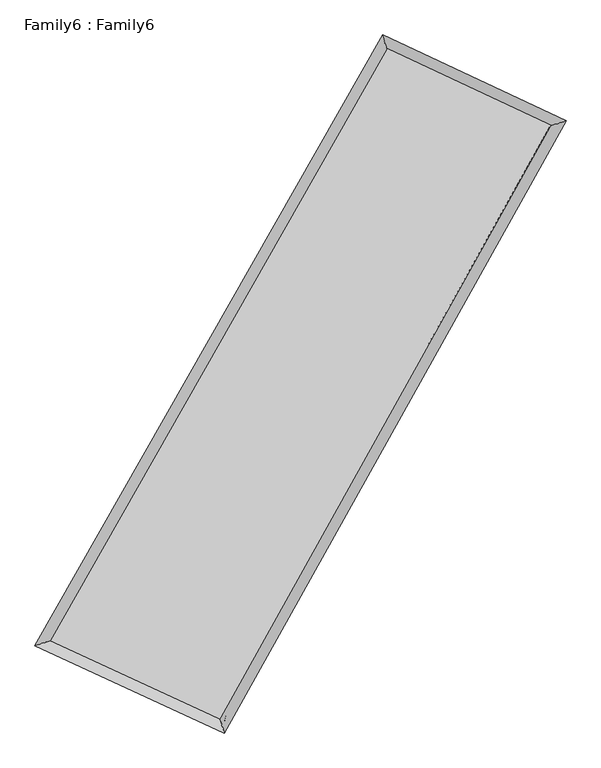
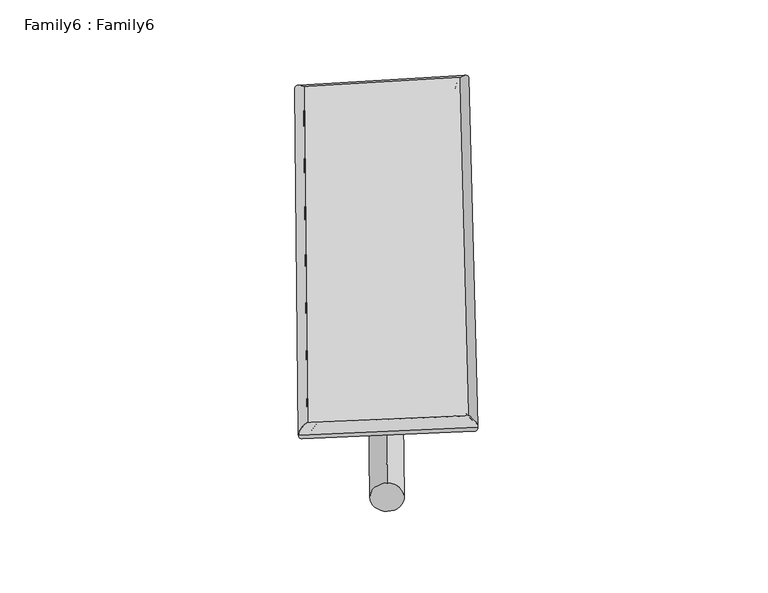
"""IFC4 building model written with IfcOpenShell, lengths in millimetres: plate geometry, Family6 : Family6."""

from ifc_helpers import new_model, si_unit, point, frame, origin, origin_2d, place, context, project, spatial, circle_curve, ellipse_curve, trimmed, segment, composite_curve, outline, extrude, source, transform, mapped, element, save
from ifc_brep_helpers import plane_surface, cylinder_surface, spline_surface, advanced_brep


def family6_family6_e617cfad(model_context):
    return source(origin(), model_context, "Body", "SolidModel", [
        extrude(outline(composite_curve([segment(trimmed(circle_curve(origin_2d(), 76.2), [point((-75.4341514, -10.7763074))], [point((75.4341514, 10.7763074))], False, "CARTESIAN"), True, "CONTINUOUS"), segment(trimmed(circle_curve(origin_2d(), 76.2), [point((75.4341514, 10.7763074))], [point((-75.4341514, -10.7763074))], False, "CARTESIAN"), True, "CONTINUOUS")], self_intersect=False)), frame((9144.0, 9144.0, 0.0), z_axis=(0.6701252818859862, 0.6918288924702296, 0.26889568631839944), x_axis=(-0.6832214624592238, 0.7165097606068844, -0.14079132143049436)), (0.0, 0.0, 1.0), 5731.3122198),
        extrude(outline(composite_curve([segment(trimmed(circle_curve(origin_2d(), 76.2), [point((-53.8815367, 53.8815368))], [point((53.8815367, -53.8815368))], False, "CARTESIAN"), True, "CONTINUOUS"), segment(trimmed(circle_curve(origin_2d(), 76.2), [point((53.8815367, -53.8815368))], [point((-53.8815367, 53.8815368))], False, "CARTESIAN"), True, "CONTINUOUS")], self_intersect=False)), frame((9144.0, 9144.0, 0.0), z_axis=(-0.6754273312781208, -0.6870875185057805, 0.2677847308493976), x_axis=(0.637956727116173, -0.3622927064339106, 0.6795257237161909)), (0.0, 0.0, 1.0), 5754.2520589),
        extrude(outline(composite_curve([segment(trimmed(circle_curve(origin_2d(), 76.2), [point((-53.8815367, -53.8815367))], [point((53.8815367, 53.8815367))], False, "CARTESIAN"), True, "CONTINUOUS"), segment(trimmed(circle_curve(origin_2d(), 76.2), [point((53.8815367, 53.8815367))], [point((-53.8815367, -53.8815367))], False, "CARTESIAN"), True, "CONTINUOUS")], self_intersect=False)), frame((9144.0, 9144.0, 0.0), z_axis=(0.23507546790039416, 0.9330498830305696, 0.27231863720291216), x_axis=(-0.8467484172351846, 0.33414959381253934, -0.41395792885826566)), (0.0, 0.0, 1.0), 5526.198997),
        extrude(outline(composite_curve([segment(trimmed(circle_curve(origin_2d(), 76.2), [point((-75.4341514, 10.7763073))], [point((75.4341514, -10.7763073))], False, "CARTESIAN"), True, "CONTINUOUS"), segment(trimmed(circle_curve(origin_2d(), 76.2), [point((75.4341514, -10.7763073))], [point((-75.4341514, 10.7763073))], False, "CARTESIAN"), True, "CONTINUOUS")], self_intersect=False)), frame((9144.0, 9144.0, 0.0), z_axis=(-0.22723720199163416, -0.9349808903613541, 0.2723490199910825), x_axis=(0.8918720739747633, -0.08750304529061315, 0.4437425162510614)), (0.0, 0.0, 1.0), 5527.608072),
        advanced_brep(
        [(5042.9513844, 5121.5609684, 1538.4481162), (5042.9131096, 5121.5104651, 1544.0424027), (5471.8903923, 5259.0894956, 1543.3535614), (10505.8532469, 14102.5021066, 1508.3931753), (10380.294383, 14497.9365489, 1501.3807843), (5471.9286671, 5259.1399989, 1537.7592749), (12771.907501, 13040.5156601, 1540.7022975), (13197.4869328, 13177.6591108, 1541.5479683), (7823.6330885, 4173.3304656, 1506.055577), (7952.2105275, 3778.2537008, 1504.8217057)],
        [
            (0, 1, ellipse_curve(frame((5257.4208884, 5190.325232, 1540.9008388), z_axis=(-0.3053764805405126, 0.95220946502762, 0.006506907445466123), x_axis=(-0.9521545640316401, -0.3054315886989844, 0.010640997064747372)), 225.2988801, 152.4)),
            (1, 2, ellipse_curve(frame((5257.4208884, 5190.325232, 1540.9008388), z_axis=(-0.3053764805405126, 0.95220946502762, 0.006506907445466123), x_axis=(-0.9521545640316401, -0.3054315886989844, 0.010640997064747372)), 225.2988801, 152.4)),
            (2, 3),
            (3, 4, ellipse_curve(frame((10443.0738149, 14300.2193278, 1504.8869798), z_axis=(-0.9530546899197834, -0.3027295357825667, -0.006448735285095006), x_axis=(0.30263984849982384, -0.9530288922256704, 0.012043781927404972)), 207.4765441, 152.4)),
            (4, 0),
            (2, 5, ellipse_curve(frame((5257.4208884, 5190.325232, 1540.9008388), z_axis=(-0.3053764805405126, 0.95220946502762, 0.006506907445466123), x_axis=(-0.9521545640316401, -0.3054315886989844, 0.010640997064747372)), 225.2988801, 152.4)),
            (5, 0, ellipse_curve(frame((5257.4208884, 5190.325232, 1540.9008388), z_axis=(-0.3053764805405126, 0.95220946502762, 0.006506907445466123), x_axis=(-0.9521545640316401, -0.3054315886989844, 0.010640997064747372)), 225.2988801, 152.4)),
            (4, 3, ellipse_curve(frame((10443.0738149, 14300.2193278, 1504.8869798), z_axis=(-0.9530546899197834, -0.3027295357825667, -0.006448735285095006), x_axis=(0.30263984849982384, -0.9530288922256704, 0.012043781927404972)), 207.4765441, 152.4)),
            (3, 6),
            (6, 7, ellipse_curve(frame((12984.6972169, 13109.0873855, 1541.1251329), z_axis=(-0.30669870559842555, 0.9517811573959716, -0.006966520669249643), x_axis=(-0.9517212183214616, -0.3067610267821919, -0.011153252630883)), 223.5769757, 152.4)),
            (7, 4),
            (7, 6, ellipse_curve(frame((12984.6972169, 13109.0873855, 1541.1251329), z_axis=(-0.30669870559842555, 0.9517811573959716, -0.006966520669249643), x_axis=(-0.9517212183214616, -0.3067610267821919, -0.011153252630883)), 223.5769757, 152.4)),
            (6, 8),
            (8, 9, ellipse_curve(frame((7887.921808, 3975.7920832, 1505.4386413), z_axis=(0.9508856766157894, 0.30948382420677706, -0.006016025372411786), x_axis=(-0.3094030324906755, 0.9508612796980971, 0.011514784256395892)), 207.7439215, 152.4)),
            (9, 7),
            (9, 8, ellipse_curve(frame((7887.921808, 3975.7920832, 1505.4386413), z_axis=(0.9508856766157894, 0.30948382420677706, -0.006016025372411786), x_axis=(-0.3094030324906755, 0.9508612796980971, 0.011514784256395892)), 207.7439215, 152.4)),
            (8, 5),
            (1, 9),
        ],
        [
            cylinder_surface(frame((5257.4208884, 5190.325232, 1540.9008388), z_axis=(-0.4946969720276759, -0.8690587450587942, 0.003435622721271711), x_axis=(-0.8689266446343537, 0.4945433717349488, -0.019832793991571524)), 152.4),
            cylinder_surface(frame((10443.0738149, 14300.2193278, 1504.8869798), z_axis=(-0.9054182593244258, 0.42432431532213566, -0.012909341901415725), x_axis=(0.42446316017666813, 0.9053773976703343, -0.011081220173316668)), 152.4),
            cylinder_surface(frame((12984.6972169, 13109.0873855, 1541.1251329), z_axis=(0.4872993310315426, 0.8732283323920922, 0.003411961889741385), x_axis=(0.8732345470556949, -0.48729933103154255, -0.0008875835997274979)), 152.4),
            cylinder_surface(frame((7887.921808, 3975.7920832, 1505.4386413), z_axis=(0.9078315212755148, -0.4191564685929412, -0.012238619827407465), x_axis=(-0.419095733311772, -0.9079127939767251, 0.007288679801249302)), 152.4),
        ],
        [
            (0, [[1, 2, 3, 4, 5]]),
            (0, [[6, 7, -5, 8, -3]]),
            (1, [[-4, 9, 10, 11]]),
            (1, [[-8, -11, 12, -9]]),
            (2, [[-10, 13, 14, 15]]),
            (2, [[-12, -15, 16, -13]]),
            (3, [[-14, 17, -6, -2, 18]]),
            (3, [[-16, -18, -1, -7, -17]]),
        ],
    ),
        extrude(outline(composite_curve([segment(trimmed(circle_curve(origin_2d(), 304.8), [point((0.0, -304.8))], [point((-1e-07, 304.8))], False, "CARTESIAN"), True, "CONTINUOUS"), segment(trimmed(circle_curve(origin_2d(), 304.8), [point((-1e-07, 304.8))], [point((0.0, -304.8))], False, "CARTESIAN"), True, "CONTINUOUS")], self_intersect=False)), frame((6546.6327152, 4571.0879088, -0.015491), z_axis=(0.4938831642108828, 0.8695282744686166, 2.945577729422922e-06), x_axis=(-0.8695282744732575, 0.4938831642108828, 7.781488353525947e-07)), (0.0, 0.0, 1.0), 10518.1446665),
        advanced_brep(
        [(5257.4208884, 5190.325232, 1540.9008388), (7887.921808, 3975.7920832, 1505.4386413), (7887.9310433, 3975.7900793, 1657.838641), (5257.4301237, 5190.3232281, 1693.3008385), (12984.6972169, 13109.0873855, 1541.1251329), (12984.7064522, 13109.0853815, 1693.5251326), (10443.0738149, 14300.2193278, 1504.8869798), (10443.0830503, 14300.2173238, 1657.2869795)],
        [
            (0, 1),
            (1, 2),
            (2, 3),
            (3, 0),
            (1, 4),
            (4, 5),
            (5, 2),
            (4, 6),
            (6, 7),
            (7, 5),
            (6, 0),
            (3, 7),
        ],
        [
            plane_surface(frame((6572.6713482, 4583.0586576, 1523.1697401), z_axis=(-0.41918771389104953, -0.9078995871468991, 1.3464244235604321e-05), x_axis=(0.9078315212755147, -0.4191564685929408, -0.012238619827407477))),
            plane_surface(frame((10436.3095125, 8542.4397343, 1523.2818871), z_axis=(0.8732335123740894, -0.48730198988652706, -5.932488808236538e-05), x_axis=(0.48729933103154205, 0.8732283323920925, 0.00341196188974138))),
            plane_surface(frame((11713.8855159, 13704.6533566, 1523.0060563), z_axis=(0.42435983819519185, 0.9054936374907632, -1.3809307151731176e-05), x_axis=(-0.9054182593244259, 0.4243243153221356, -0.01290934190141573))),
            plane_surface(frame((7850.2473517, 9745.2722799, 1522.8939093), z_axis=(-0.869063771986657, 0.49470006743409334, 5.916948431191954e-05), x_axis=(-0.49469697202767554, -0.8690587450587944, 0.003435622721271715))),
            spline_surface(1, 1, [[(7887.9310433, 3975.7900793, 1657.838641), (5257.4301237, 5190.3232281, 1693.3008385)], [(12984.7064522, 13109.0853815, 1693.5251326), (10443.0830503, 14300.2173238, 1657.2869795)]], [2, 2], [2, 2], [0.0, 1.0], [0.0, 1.0]),
            spline_surface(1, 1, [[(10443.0738149, 14300.2193278, 1504.8869798), (5257.4208884, 5190.325232, 1540.9008388)], [(12984.6972169, 13109.0873855, 1541.1251329), (7887.921808, 3975.7920832, 1505.4386413)]], [2, 2], [2, 2], [0.0, 1.0], [0.0, 1.0]),
        ],
        [
            (0, [[1, 2, 3, 4]]),
            (1, [[5, 6, 7, -2]]),
            (2, [[8, 9, 10, -6]]),
            (3, [[11, -4, 12, -9]]),
            (4, [[-3, -7, -10, -12]]),
            (5, [[-11, -8, -5, -1]]),
        ],
    ),
    ])


if __name__ == "__main__":
    model = new_model("IFC4")
    model_context = context("Model", 3, world=origin())
    ifc_project = project(units=[si_unit("LENGTHUNIT", "METRE", prefix="MILLI")], contexts=[model_context])
    site = spatial("IfcSite", under=ifc_project)
    building = spatial("IfcBuilding", under=site)
    placement = place(None, origin())
    family6_family6_shape = family6_family6_e617cfad(model_context)
    element("IfcPlate", 1, ObjectType="Family6 : Family6", at=placement, inside=building, context=model_context, shape_type="MappedRepresentation", body=[
        mapped(family6_family6_shape, transform((0.0, 0.0, 0.0), x_axis=(1.0, 0.0, 0.0), y_axis=(0.0, 1.0, 0.0), z_axis=(0.0, 0.0, 1.0))),
    ])
    save(model, "model.ifc")
